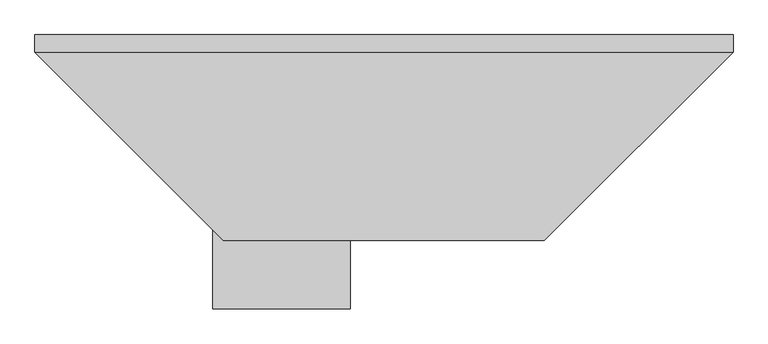
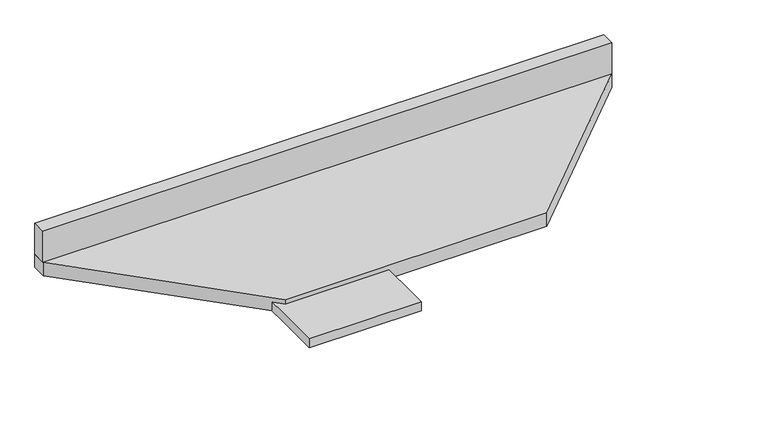
"""IFC4 building model written with IfcOpenShell, lengths in millimetres: proxy geometry."""

from ifc_helpers import new_model, si_unit, frame, origin, place, context, project, spatial, polyline, outline, extrude, source, transform, mapped, element, save


def specialty_equipment_e7a2204c(model_context):
    return source(origin(), model_context, "Body", "SweptSolid", [
        extrude(outline(polyline([(-547.6510783, 266.7), (-547.6510783, 304.8), (1002.6430003, 304.8), (1002.6430003, 266.7), (-547.6510783, 266.7)])), frame((0.0, 0.0, 876.3), z_axis=(0.0, 0.0, 1.0), x_axis=(1.0, 0.0, 0.0)), (0.0, 0.0, 1.0), 88.9),
        extrude(outline(polyline([(1002.6430003, 304.8), (1002.6430003, 266.6686289), (583.5743714, -152.4), (-129.1499366, -152.4), (-547.6510783, 266.1011418), (-547.6510783, 304.8), (1002.6430003, 304.8)])), frame((0.0, 0.0, 838.2), z_axis=(0.0, 0.0, 1.0), x_axis=(1.0, 0.0, 0.0)), (0.0, 0.0, 1.0), 38.1),
        extrude(outline(polyline([(-152.4, 304.8), (152.4, 304.8), (152.4, -304.8), (-152.4, -304.8), (-152.4, 0.0), (-152.4, 304.8)])), frame((0.0, 0.0, 838.2), z_axis=(0.0, 0.0, 1.0), x_axis=(1.0, 0.0, 0.0)), (0.0, 0.0, 1.0), 25.4),
    ])


if __name__ == "__main__":
    model = new_model("IFC4")
    model_context = context("Model", 3, world=origin())
    ifc_project = project(units=[si_unit("LENGTHUNIT", "METRE", prefix="MILLI")], contexts=[model_context])
    site = spatial("IfcSite", under=ifc_project)
    building = spatial("IfcBuilding", under=site)
    placement = place(None, origin())
    specialty_equipment_shape = specialty_equipment_e7a2204c(model_context)
    element("IfcBuildingElementProxy", 1, Name="Specialty Equipment", at=placement, inside=building, context=model_context, shape_type="MappedRepresentation", body=[
        mapped(specialty_equipment_shape, transform((0.0, 0.0, 0.0), x_axis=(1.0, 0.0, 0.0), y_axis=(0.0, 1.0, 0.0), z_axis=(0.0, 0.0, 1.0))),
    ])
    save(model, "model.ifc")
